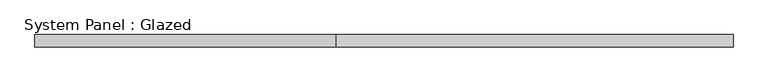
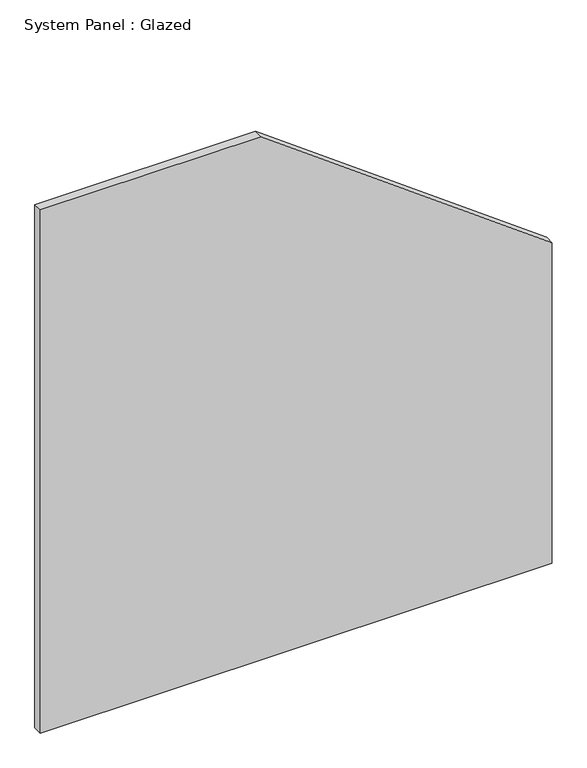
"""IFC4 building model written with IfcOpenShell, lengths in millimetres: plate geometry, System Panel : Glazed."""

from ifc_helpers import new_model, si_unit, frame, origin, place, context, project, spatial, polyline, outline, extrude, source, transform, mapped, element, save


def system_panel_glazed_34ddf829(model_context):
    return source(origin(), model_context, "Body", "SweptSolid", [
        extrude(outline(polyline([(0.0, -699.256285), (0.0, 699.256285), (925.8851616, 699.256285), (1510.6350987, -95.9691175), (1510.6350987, -699.256285), (0.0, -699.256285)])), frame((0.0, -49.5, 0.0), z_axis=(0.0, 1.0, 0.0), x_axis=(0.0, 0.0, 1.0)), (0.0, 0.0, 1.0), 25.0),
    ])


if __name__ == "__main__":
    model = new_model("IFC4")
    model_context = context("Model", 3, world=origin())
    ifc_project = project(units=[si_unit("LENGTHUNIT", "METRE", prefix="MILLI")], contexts=[model_context])
    site = spatial("IfcSite", under=ifc_project)
    building = spatial("IfcBuilding", under=site)
    placement = place(None, origin())
    system_panel_glazed_shape = system_panel_glazed_34ddf829(model_context)
    element("IfcPlate", 1, ObjectType="System Panel : Glazed", at=placement, inside=building, context=model_context, shape_type="MappedRepresentation", body=[
        mapped(system_panel_glazed_shape, transform((0.0, 0.0, 0.0), x_axis=(1.0, 0.0, 0.0), y_axis=(0.0, 1.0, 0.0), z_axis=(0.0, 0.0, 1.0))),
    ])
    save(model, "model.ifc")
